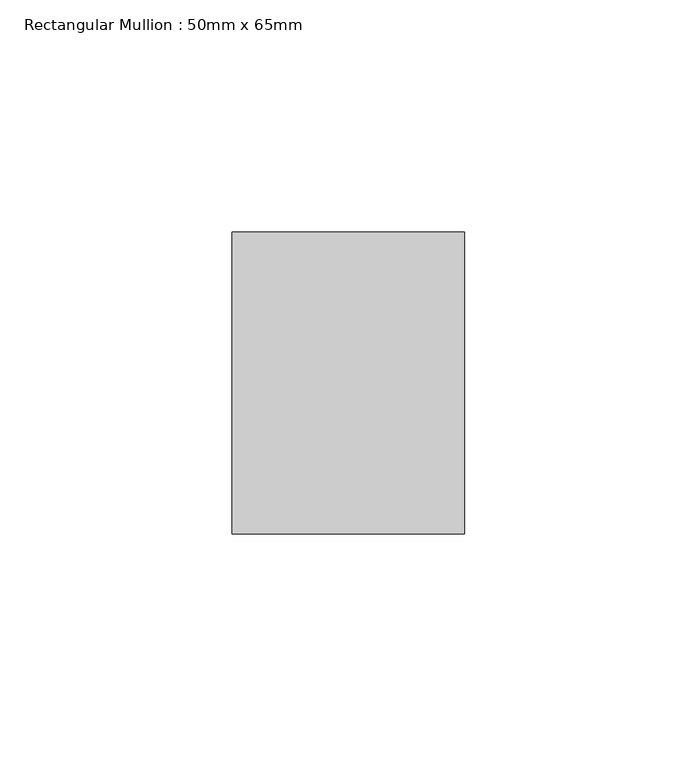
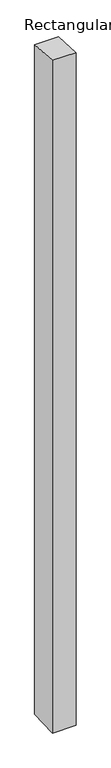
"""IFC4 building model written with IfcOpenShell, lengths in millimetres: member geometry, Rectangular Mullion : 50mm x 65mm."""

from ifc_helpers import new_model, si_unit, origin, place, context, project, spatial, faceted_brep, source, transform, mapped, element, save


def rectangular_mullion_50mm_x_65mm_a26858e9(model_context):
    return source(origin(), model_context, "Body", "Brep", [
        faceted_brep([(-25.0, 32.5, -2.1659769), (25.0, 32.5, -2.1659779), (25.0, 32.5, -1498.7588405), (-25.0, 32.5, -1498.7588411), (-25.0, -32.5, 2.1659779), (-25.0, -32.5, -1501.2410235), (25.0, -32.5, 2.1659769), (25.0, -32.5, -1501.2410229)], [[[0, 1, 2, 3]], [[4, 0, 3, 5]], [[6, 4, 5, 7]], [[1, 6, 7, 2]], [[1, 0, 4, 6]], [[2, 7, 5, 3]]]),
    ])


if __name__ == "__main__":
    model = new_model("IFC4")
    model_context = context("Model", 3, world=origin())
    ifc_project = project(units=[si_unit("LENGTHUNIT", "METRE", prefix="MILLI")], contexts=[model_context])
    site = spatial("IfcSite", under=ifc_project)
    building = spatial("IfcBuilding", under=site)
    placement = place(None, origin())
    rectangular_mullion_50mm_x_65mm_shape = rectangular_mullion_50mm_x_65mm_a26858e9(model_context)
    element("IfcMember", 1, ObjectType="Rectangular Mullion : 50mm x 65mm", at=placement, inside=building, context=model_context, shape_type="MappedRepresentation", body=[
        mapped(rectangular_mullion_50mm_x_65mm_shape, transform((0.0, 0.0, 0.0), x_axis=(1.0, 0.0, 0.0), y_axis=(0.0, 1.0, 0.0), z_axis=(0.0, 0.0, 1.0))),
    ])
    save(model, "model.ifc")
